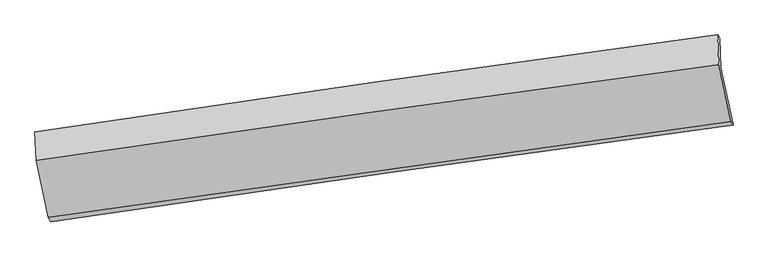
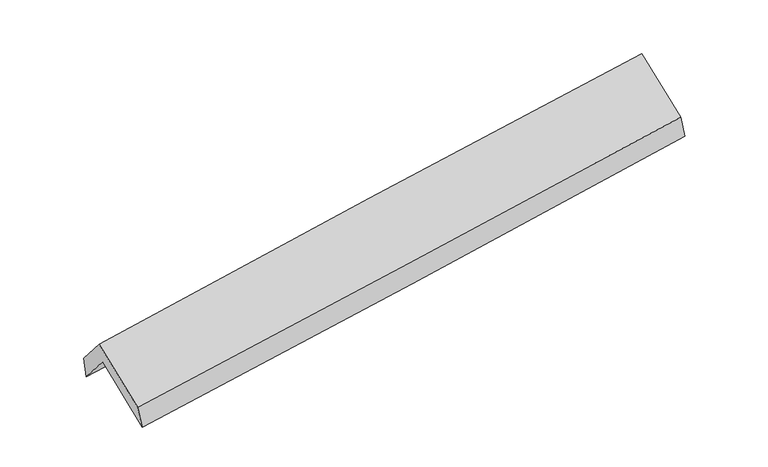
"""IFC4 building model written with IfcOpenShell, lengths in millimetres: proxy geometry."""

from ifc_helpers import new_model, si_unit, frame, origin, place, context, project, spatial, source, transform, mapped, element, save
from ifc_brep_helpers import plane_surface, spline_curve, spline_surface, advanced_brep


def generic_models_44b44ad5(model_context):
    return source(origin(), model_context, "Body", "AdvancedBrep", [
        advanced_brep(
        [(-2888.4873059, -2509.5264724, 1447.9159272), (-2994.5831916, -2009.3096447, 1876.9936217), (2941.2785254, -1168.4134831, 2369.4873009), (3046.6258231, -1668.0568303, 1947.391669), (-3006.2593807, -1742.8930733, 1558.716643), (2929.8835357, -908.4130619, 2058.8754344), (-3024.2395287, -1728.5185565, 1753.1656297), (2911.3601726, -881.203526, 2237.9957687), (-3013.3372459, -1977.2768432, 2050.3469781), (2922.6842545, -1139.5860381, 2546.6747853), (-2910.2098721, -2469.1875793, 1643.1134691), (3026.5178978, -1635.3120321, 2136.2859903)],
        [
            (0, 1),
            (1, 2, spline_curve(3, [(-2994.5831916, -2009.3096447, 1876.9936217), (-2007.005282427, -1863.683749552, 1941.093126628), (-1019.786855421, -1720.9626606, 2014.060208632), (958.837300265, -1440.634985352, 2178.136377256), (1950.239445565, -1303.057353416, 2269.333854607), (2941.2785254, -1168.4134831, 2369.4873009)], [4, 2, 4], [0.0, 9.843500079559693, 19.735938091300817])),
            (2, 3),
            (3, 0, spline_curve(3, [(3046.6258231, -1668.0568303, 1947.391669), (2055.143522142, -1802.649297859, 1848.384657678), (1063.583007572, -1940.249318956, 1757.174248617), (-914.788807042, -2220.768882783, 1590.759283833), (-1901.59933585, -2363.658742142, 1515.477778612), (-2888.4873059, -2509.5264724, 1447.9159272)], [4, 2, 4], [0.0, 9.892438011741124, 19.735938091300817])),
            (1, 4),
            (4, 5, spline_curve(3, [(-3006.2593807, -1742.8930733, 1558.716643), (-2018.447486663, -1602.60602818, 1629.194253602), (-1031.088460002, -1463.093014345, 1705.993891889), (947.630359779, -1184.925295312, 1872.650471477), (1938.985638367, -1046.278305228, 1962.57043048), (2929.8835357, -908.4130619, 2058.8754344)], [4, 2, 4], [0.0, 9.843499431620362, 19.73593679220086])),
            (5, 2),
            (4, 6),
            (6, 7, spline_curve(3, [(-3024.2395287, -1728.5185565, 1753.1656297), (-2038.36480934, -1580.311544998, 1834.660249808), (-1052.021815726, -1435.764441559, 1915.710991219), (926.506750543, -1153.289616645, 2077.325462156), (1918.696990525, -1015.398376357, 2157.884766784), (2911.3601726, -881.203526, 2237.9957687)], [4, 2, 4], [0.0, 9.843282596057817, 19.73550204305637])),
            (7, 5),
            (6, 8),
            (8, 9, spline_curve(3, [(-3013.3372459, -1977.2768432, 2050.3469781), (-2027.340700141, -1831.849558211, 2135.162423573), (-1040.901666271, -1689.493811032, 2218.831088355), (937.767756561, -1410.23292557, 2384.285121936), (1930.002556185, -1273.358404735, 2466.059059342), (2922.6842545, -1139.5860381, 2546.6747853)], [4, 2, 4], [0.0, 9.843287820819583, 19.73551251855532])),
            (9, 7),
            (8, 10),
            (10, 11, spline_curve(3, [(-2910.2098721, -2469.1875793, 1643.1134691), (-1923.116808698, -2330.768399241, 1722.139989206), (-936.069592289, -2192.24175629, 1802.645376256), (1042.840121212, -1914.284311972, 1967.02147515), (2034.702161572, -1774.852438835, 2050.906929039), (3026.5178978, -1635.3120321, 2136.2859903)], [4, 2, 4], [0.0, 9.843166051630044, 19.7352683747887])),
            (11, 9),
            (10, 0),
            (3, 11),
        ],
        [
            spline_surface(3, 3, [[(-2888.4873059, -2509.5264724, 1447.9159272), (-1901.599335799, -2363.658742281, 1515.477778733), (-914.788807205, -2220.768882805, 1590.759283676), (1063.583007736, -1940.249318934, 1757.174248775), (2055.143522122, -1802.649297733, 1848.38465775), (3046.6258231, -1668.0568303, 1947.391669)], [(-2923.852601138, -2342.787529819, 1590.941825365), (-1936.734651293, -2197.000411341, 1657.349561313), (-949.78815658, -2054.166808742, 1731.859592026), (1028.66777192, -1773.711207699, 1897.494958255), (2020.175496628, -1636.118649684, 1988.701056727), (3011.510057182, -1501.509047904, 2088.090212966)], [(-2959.217896362, -2176.048587281, 1733.967723535), (-1971.869966772, -2030.342080444, 1799.221343899), (-984.787506013, -1887.564734733, 1872.959900348), (993.752536047, -1607.173096517, 2037.815667709), (1985.207471188, -1469.588001621, 2129.017455706), (2976.394291318, -1334.961265496, 2228.788756934)], [(-2994.5831916, -2009.3096447, 1876.9936217), (-2007.005282267, -1863.683749505, 1941.093126478), (-1019.786855388, -1720.96266067, 2014.060208698), (958.837300232, -1440.634985282, 2178.13637719), (1950.239445693, -1303.057353571, 2269.333854684), (2941.2785254, -1168.4134831, 2369.4873009)]], [4, 4], [4, 2, 4], [0.0, 2.1735360420816927], [0.0, 9.843500079559693, 19.735938091300817]),
            spline_surface(3, 3, [[(-2994.5831916, -2009.3096447, 1876.9936217), (-2007.005282267, -1863.683749505, 1941.093126478), (-1019.786855388, -1720.96266067, 2014.060208698), (958.837300232, -1440.634985282, 2178.13637719), (1950.239445693, -1303.057353571, 2269.333854684), (2941.2785254, -1168.4134831, 2369.4873009)], [(-2998.475254615, -1920.504120921, 1770.90129549), (-2010.819350355, -1776.657842416, 1837.126835524), (-1023.554056908, -1635.006111942, 1911.371436431), (955.101653375, -1355.398421924, 2076.307741988), (1946.488176647, -1217.464337425, 2167.07937992), (2937.480195521, -1081.746676045, 2265.950012065)], [(-3002.367317685, -1831.698597079, 1664.80896921), (-2014.633418499, -1689.631935264, 1733.160544498), (-1027.321258397, -1549.049563196, 1808.682664107), (951.36600655, -1270.161858546, 1974.479106729), (1942.736907537, -1131.871321245, 2064.82490516), (2933.681865579, -995.079868955, 2162.412723235)], [(-3006.2593807, -1742.8930733, 1558.716643), (-2018.447486587, -1602.606028175, 1629.194253544), (-1031.088459917, -1463.093014469, 1705.99389184), (947.630359693, -1184.925295187, 1872.650471527), (1938.985638491, -1046.278305099, 1962.570430396), (2929.8835357, -908.4130619, 2058.8754344)]], [4, 4], [4, 2, 4], [0.0, 1.3130433718914778], [0.0, 9.843499431620362, 19.73593679220086]),
            spline_surface(3, 3, [[(-3006.2593807, -1742.8930733, 1558.716643), (-2018.447486587, -1602.606028175, 1629.194253544), (-1031.088459917, -1463.093014469, 1705.99389184), (947.630359693, -1184.925295187, 1872.650471527), (1938.985638491, -1046.278305099, 1962.570430396), (2929.8835357, -908.4130619, 2058.8754344)], [(-3012.252763373, -1738.101567674, 1623.532971875), (-2025.086594209, -1595.174533784, 1697.682918918), (-1038.066245164, -1453.983490214, 1775.899591614), (940.589156592, -1174.380068985, 1940.875468366), (1932.222755782, -1035.984995539, 2027.675209244), (2923.709081329, -899.343216604, 2118.582212498)], [(-3018.246146027, -1733.310062126, 1688.349300825), (-2031.725701813, -1587.743039472, 1766.171584368), (-1045.044030369, -1444.873965918, 1845.805291472), (933.547953533, -1163.834842743, 2009.10046529), (1925.459873086, -1025.691685966, 2092.779988097), (2917.534626971, -890.273371296, 2178.288990602)], [(-3024.2395287, -1728.5185565, 1753.1656297), (-2038.364809435, -1580.311545082, 1834.660249743), (-1052.021815616, -1435.764441663, 1915.710991246), (926.506750432, -1153.289616541, 2077.325462129), (1918.696990377, -1015.398376405, 2157.884766945), (2911.3601726, -881.203526, 2237.9957687)]], [4, 4], [4, 2, 4], [0.0, 0.6900457804406391], [0.0, 9.843282596057817, 19.73550204305637]),
            spline_surface(3, 3, [[(-3024.2395287, -1728.5185565, 1753.1656297), (-2038.364809435, -1580.311545082, 1834.660249743), (-1052.021815616, -1435.764441663, 1915.710991246), (926.506750432, -1153.289616541, 2077.325462129), (1918.696990377, -1015.398376405, 2157.884766945), (2911.3601726, -881.203526, 2237.9957687)], [(-3020.605434459, -1811.437985423, 1852.226079186), (-2034.690106344, -1664.157549509, 1934.827641077), (-1048.315099143, -1520.340898052, 2016.751023656), (930.260419152, -1238.937386234, 2179.645348717), (1922.465512284, -1101.385052499, 2260.609531145), (2915.134866545, -967.331030009, 2340.888774248)], [(-3016.971340141, -1894.357414277, 1951.286528614), (-2031.015403175, -1748.003553867, 2034.995032353), (-1044.608382722, -1604.917354517, 2117.791056027), (934.01408782, -1324.585156004, 2281.965235265), (1926.234034255, -1187.371728666, 2363.334295299), (2918.909560555, -1053.458534091, 2443.781779752)], [(-3013.3372459, -1977.2768432, 2050.3469781), (-2027.340700083, -1831.849558294, 2135.162423688), (-1040.90166625, -1689.493810906, 2218.831088437), (937.767756539, -1410.232925697, 2384.285121853), (1930.002556161, -1273.358404759, 2466.059059499), (2922.6842545, -1139.5860381, 2546.6747853)]], [4, 4], [4, 2, 4], [0.0, 1.3056797864958438], [0.0, 9.843287820819583, 19.73551251855532]),
            spline_surface(3, 3, [[(-3013.3372459, -1977.2768432, 2050.3469781), (-2027.340700083, -1831.849558294, 2135.162423688), (-1040.90166625, -1689.493810906, 2218.831088437), (937.767756539, -1410.232925697, 2384.285121853), (1930.002556161, -1273.358404759, 2466.059059499), (2922.6842545, -1139.5860381, 2546.6747853)], [(-2978.961454615, -2141.247088554, 1914.602475094), (-1992.599402954, -1998.155838598, 1997.488278901), (-1005.957641613, -1857.076459401, 2080.102517649), (972.791878126, -1578.250054413, 2245.197239659), (1964.90242463, -1440.523082837, 2327.675015975), (2957.295468953, -1304.828036114, 2409.878520303)], [(-2944.585663385, -2305.217333946, 1778.857972106), (-1957.85810588, -2164.462118939, 1859.814134133), (-971.013616994, -2024.659107908, 1941.373946893), (1007.815999695, -1746.267183141, 2106.109357497), (1999.802293039, -1607.687760872, 2189.290972443), (2991.906683347, -1470.070034086, 2273.082255297)], [(-2910.2098721, -2469.1875793, 1643.1134691), (-1923.116808751, -2330.768399242, 1722.139989346), (-936.069592357, -2192.241756404, 1802.645376104), (1042.840121281, -1914.284311857, 1967.021475302), (2034.702161508, -1774.85243895, 2050.906928919), (3026.5178978, -1635.3120321, 2136.2859903)]], [4, 4], [4, 2, 4], [0.0, 2.1715372322693374], [0.0, 9.843166051630044, 19.7352683747887]),
            spline_surface(3, 3, [[(-2910.2098721, -2469.1875793, 1643.1134691), (-1923.116808751, -2330.768399242, 1722.139989346), (-936.069592357, -2192.241756404, 1802.645376104), (1042.840121281, -1914.284311857, 1967.021475302), (2034.702161508, -1774.85243895, 2050.906928919), (3026.5178978, -1635.3120321, 2136.2859903)], [(-2902.9690167, -2482.633877009, 1578.04762179), (-1915.944317767, -2341.73184693, 1653.252585798), (-928.975997324, -2201.750798564, 1732.016678626), (1049.754416748, -1922.939314243, 1897.072399791), (2041.515948382, -1784.118058534, 1983.399505182), (3033.220539569, -1646.226964824, 2073.321216519)], [(-2895.7281613, -2496.080174691, 1512.98177451), (-1908.771826783, -2352.695294593, 1584.365182281), (-921.882402238, -2211.259840644, 1661.387981154), (1056.668712268, -1931.594316548, 1827.123324286), (2048.329735248, -1793.383678148, 1915.892081487), (3039.923181331, -1657.141897576, 2010.356442781)], [(-2888.4873059, -2509.5264724, 1447.9159272), (-1901.599335799, -2363.658742281, 1515.477778733), (-914.788807205, -2220.768882805, 1590.759283676), (1063.583007736, -1940.249318934, 1757.174248775), (2055.143522122, -1802.649297733, 1848.38465775), (3046.6258231, -1668.0568303, 1947.391669)]], [4, 4], [4, 2, 4], [0.0, 0.7009490708232005], [0.0, 9.843175909322204, 19.735288139181506]),
            plane_surface(frame((2963.0583682, -1233.4974953, 2216.1184914), z_axis=(0.9868756587251297, 0.13980254964179883, 0.08081881791695397), x_axis=(0.15928391082694682, -0.7604584841180749, -0.6295486714182731))),
            plane_surface(frame((-2972.8527541, -2072.7853616, 1721.7087115), z_axis=(-0.986853182611448, -0.1399091017098421, -0.08090883282065842), x_axis=(-0.10834072751640793, 0.20118916836851117, 0.9735426057920641))),
        ],
        [
            (0, [[1, 2, 3, 4]]),
            (1, [[5, 6, 7, -2]]),
            (2, [[8, 9, 10, -6]]),
            (3, [[11, 12, 13, -9]]),
            (4, [[14, 15, 16, -12]]),
            (5, [[17, -4, 18, -15]]),
            (6, [[-16, -18, -3, -7, -10, -13]]),
            (7, [[-17, -14, -11, -8, -5, -1]]),
        ],
    ),
    ])


if __name__ == "__main__":
    model = new_model("IFC4")
    model_context = context("Model", 3, world=origin())
    ifc_project = project(units=[si_unit("LENGTHUNIT", "METRE", prefix="MILLI")], contexts=[model_context])
    site = spatial("IfcSite", under=ifc_project)
    building = spatial("IfcBuilding", under=site)
    placement = place(None, origin())
    generic_models_shape = generic_models_44b44ad5(model_context)
    element("IfcBuildingElementProxy", 1, Name="Generic Models", at=placement, inside=building, context=model_context, shape_type="MappedRepresentation", body=[
        mapped(generic_models_shape, transform((0.0, 0.0, 0.0), x_axis=(1.0, 0.0, 0.0), y_axis=(0.0, 1.0, 0.0), z_axis=(0.0, 0.0, 1.0))),
    ])
    save(model, "model.ifc")
